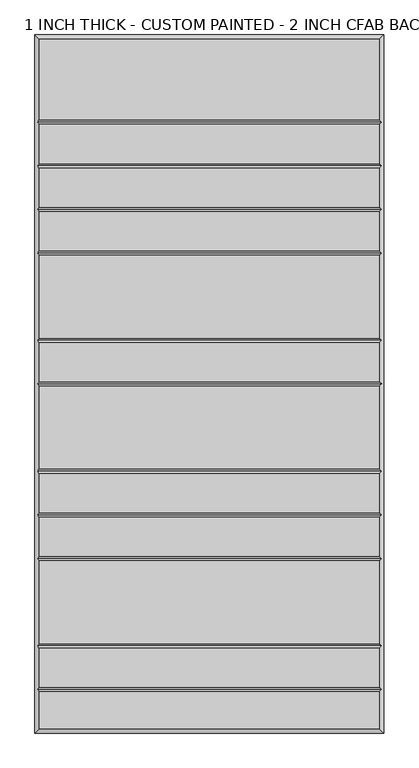
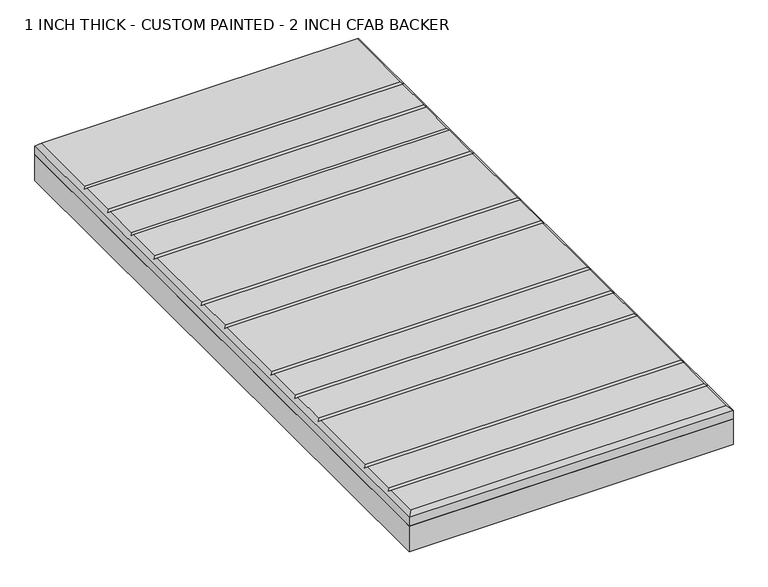
"""IFC4 building model written with IfcOpenShell, lengths in millimetres: proxy geometry, 1 INCH THICK - CUSTOM PAINTED - 2 INCH CFAB BACKER."""

from ifc_helpers import new_model, si_unit, frame, origin, place, context, project, spatial, polyline, outline, extrude, faceted_brep, source, transform, mapped, element, save


def proxy_1_inch_thick_custom_painted_2_inch_cfab_backer_05ed1d58(model_context):
    return source(origin(), model_context, "Body", "SolidModel", [
        extrude(outline(polyline([(-304.8, 609.6), (304.8, 609.6), (304.8, -609.6), (-304.8, -609.6), (-304.8, 609.6)])), frame((0.0, 0.0, -50.8), z_axis=(0.0, 0.0, 1.0), x_axis=(1.0, 0.0, 0.0)), (0.0, 0.0, 1.0), 50.8),
        faceted_brep([(296.799, 601.599, 25.4), (-296.799, 601.599, 25.4), (-296.799, 461.2005, 25.4), (296.799, 461.2005, 25.4), (-296.799, -601.599, 25.4), (296.799, -601.599, 25.4), (296.799, -537.4005, 25.4), (-296.799, -537.4005, 25.4), (296.799, 376.9995, 25.4), (-296.799, 376.9995, 25.4), (-296.799, 308.8005, 25.4), (296.799, 308.8005, 25.4), (-296.799, 385.0005, 25.4), (296.799, 385.0005, 25.4), (296.799, 453.1995, 25.4), (-296.799, 453.1995, 25.4), (296.799, 300.7995, 25.4), (-296.799, 300.7995, 25.4), (-296.799, 232.6005, 25.4), (296.799, 232.6005, 25.4), (296.799, 224.5995, 25.4), (-296.799, 224.5995, 25.4), (-296.799, 80.2005, 25.4), (296.799, 80.2005, 25.4), (296.799, 72.1995, 25.4), (-296.799, 72.1995, 25.4), (-296.799, 4.0005, 25.4), (296.799, 4.0005, 25.4), (296.799, -4.0005, 25.4), (-296.799, -4.0005, 25.4), (-296.799, -148.3995, 25.4), (296.799, -148.3995, 25.4), (296.799, -156.4005, 25.4), (-296.799, -156.4005, 25.4), (-296.799, -224.5995, 25.4), (296.799, -224.5995, 25.4), (296.799, -232.6005, 25.4), (-296.799, -232.6005, 25.4), (-296.799, -300.7995, 25.4), (296.799, -300.7995, 25.4), (296.799, -308.8005, 25.4), (-296.799, -308.8005, 25.4), (-296.799, -453.1995, 25.4), (296.799, -453.1995, 25.4), (296.799, -461.2005, 25.4), (-296.799, -461.2005, 25.4), (-296.799, -529.3995, 25.4), (296.799, -529.3995, 25.4), (-304.8, 609.6, 0.0), (304.8, 609.6, 0.0), (304.8, -609.6, 0.0), (-304.8, -609.6, 0.0), (-304.8, -609.6, 17.399), (-304.8, 609.6, 17.399), (304.8, -609.6, 17.399), (304.8, 609.6, 17.399), (-300.7995, -533.4, 21.3995), (-300.7995, -457.2, 21.3995), (-300.7995, -304.8, 21.3995), (-300.7995, -228.6, 21.3995), (-300.7995, -152.4, 21.3995), (-300.7995, 0.0, 21.3995), (-300.7995, 76.2, 21.3995), (-300.7995, 228.6, 21.3995), (-300.7995, 304.8, 21.3995), (-300.7995, 381.0, 21.3995), (-300.7995, 457.2, 21.3995), (300.7995, 457.2, 21.3995), (300.7995, 381.0, 21.3995), (300.7995, 304.8, 21.3995), (300.7995, 228.6, 21.3995), (300.7995, 76.2, 21.3995), (300.7995, 0.0, 21.3995), (300.7995, -152.4, 21.3995), (300.7995, -228.6, 21.3995), (300.7995, -304.8, 21.3995), (300.7995, -457.2, 21.3995), (300.7995, -533.4, 21.3995)], [[[0, 1, 2, 3]], [[4, 5, 6, 7]], [[8, 9, 10, 11]], [[12, 13, 14, 15]], [[16, 17, 18, 19]], [[20, 21, 22, 23]], [[24, 25, 26, 27]], [[28, 29, 30, 31]], [[32, 33, 34, 35]], [[36, 37, 38, 39]], [[40, 41, 42, 43]], [[44, 45, 46, 47]], [[48, 49, 50, 51]], [[48, 51, 52, 53]], [[51, 50, 54, 52]], [[50, 49, 55, 54]], [[49, 48, 53, 55]], [[53, 1, 0, 55]], [[1, 53, 52, 4, 7, 56, 46, 45, 57, 42, 41, 58, 38, 37, 59, 34, 33, 60, 30, 29, 61, 26, 25, 62, 22, 21, 63, 18, 17, 64, 10, 9, 65, 12, 15, 66, 2]], [[4, 52, 54, 5]], [[55, 0, 3, 67, 14, 13, 68, 8, 11, 69, 16, 19, 70, 20, 23, 71, 24, 27, 72, 28, 31, 73, 32, 35, 74, 36, 39, 75, 40, 43, 76, 44, 47, 77, 6, 5, 54]], [[68, 65, 9, 8]], [[65, 68, 13, 12]], [[69, 64, 17, 16]], [[64, 69, 11, 10]], [[70, 63, 21, 20]], [[63, 70, 19, 18]], [[71, 62, 25, 24]], [[62, 71, 23, 22]], [[72, 61, 29, 28]], [[61, 72, 27, 26]], [[73, 60, 33, 32]], [[60, 73, 31, 30]], [[74, 59, 37, 36]], [[59, 74, 35, 34]], [[75, 58, 41, 40]], [[58, 75, 39, 38]], [[76, 57, 45, 44]], [[57, 76, 43, 42]], [[77, 56, 7, 6]], [[56, 77, 47, 46]], [[67, 66, 15, 14]], [[66, 67, 3, 2]]]),
    ])


if __name__ == "__main__":
    model = new_model("IFC4")
    model_context = context("Model", 3, world=origin())
    ifc_project = project(units=[si_unit("LENGTHUNIT", "METRE", prefix="MILLI")], contexts=[model_context])
    site = spatial("IfcSite", under=ifc_project)
    building = spatial("IfcBuilding", under=site)
    placement = place(None, origin())
    proxy_1_inch_thick_custom_painted_2_inch_cfab_backer_shape = proxy_1_inch_thick_custom_painted_2_inch_cfab_backer_05ed1d58(model_context)
    element("IfcBuildingElementProxy", 1, Name="1 INCH THICK - CUSTOM PAINTED - 2 INCH CFAB BACKER", ObjectType="1 INCH THICK - CUSTOM PAINTED - 2 INCH CFAB BACKER", at=placement, inside=building, context=model_context, shape_type="MappedRepresentation", body=[
        mapped(proxy_1_inch_thick_custom_painted_2_inch_cfab_backer_shape, transform((0.0, 0.0, 0.0), x_axis=(1.0, 0.0, 0.0), y_axis=(0.0, 1.0, 0.0), z_axis=(0.0, 0.0, 1.0))),
    ])
    save(model, "model.ifc")
